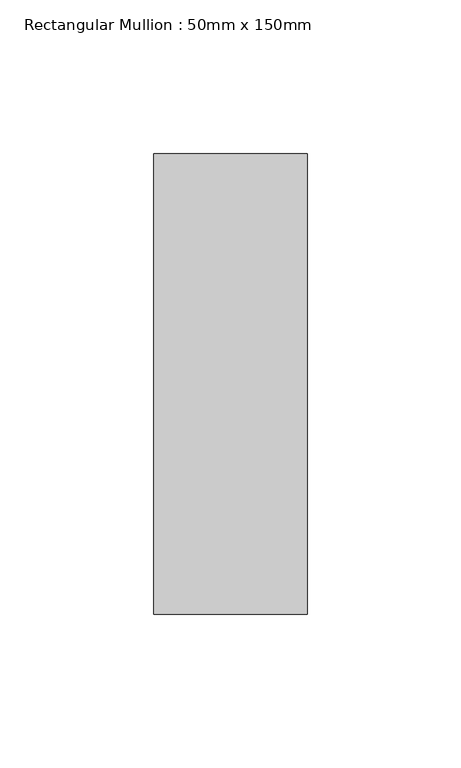
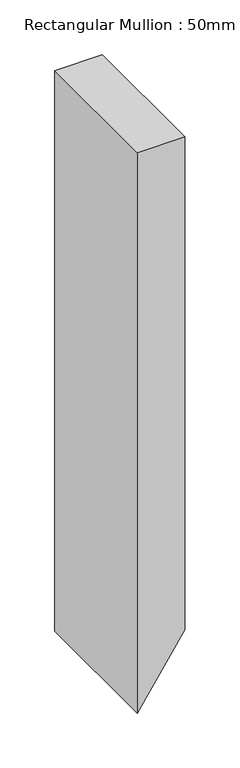
"""IFC4 building model written with IfcOpenShell, lengths in millimetres: member geometry, Rectangular Mullion : 50mm x 150mm."""

from ifc_helpers import new_model, si_unit, point, frame, frame_2d, origin, place, context, project, spatial, polyline, circle_curve, trimmed, segment, composite_curve, outline, extrude, source, transform, mapped, element, save


def rectangular_mullion_50mm_x_150mm_e9b001f9(model_context):
    return source(origin(), model_context, "Body", "SweptSolid", [
        extrude(outline(composite_curve([segment(polyline([(0.0, 25.0), (0.0, -25.0), (-622.9031691, -25.0)]), True, "CONTINUOUS"), segment(trimmed(circle_curve(frame_2d((3226.8533559, -5707.7921722)), 6864.0186607), [point((-622.9031691, -25.0))], [point((-548.0434751, 25.0))], False, "CARTESIAN"), True, "CONTINUOUS"), segment(polyline([(-548.0434751, 25.0), (0.0, 25.0)]), True, "CONTINUOUS")], self_intersect=False)), frame((0.0, -75.0, 0.0), z_axis=(0.0, 1.0, 0.0), x_axis=(0.0, 0.0, 1.0)), (0.0, 0.0, 1.0), 150.0),
    ])


if __name__ == "__main__":
    model = new_model("IFC4")
    model_context = context("Model", 3, world=origin())
    ifc_project = project(units=[si_unit("LENGTHUNIT", "METRE", prefix="MILLI")], contexts=[model_context])
    site = spatial("IfcSite", under=ifc_project)
    building = spatial("IfcBuilding", under=site)
    placement = place(None, origin())
    rectangular_mullion_50mm_x_150mm_shape = rectangular_mullion_50mm_x_150mm_e9b001f9(model_context)
    element("IfcMember", 1, ObjectType="Rectangular Mullion : 50mm x 150mm", at=placement, inside=building, context=model_context, shape_type="MappedRepresentation", body=[
        mapped(rectangular_mullion_50mm_x_150mm_shape, transform((0.0, 0.0, 0.0), x_axis=(1.0, 0.0, 0.0), y_axis=(0.0, 1.0, 0.0), z_axis=(0.0, 0.0, 1.0))),
    ])
    save(model, "model.ifc")
